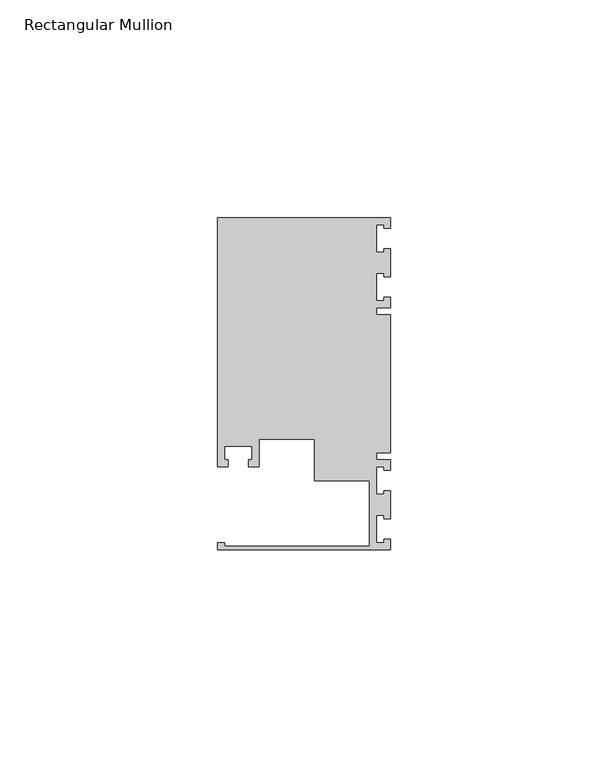
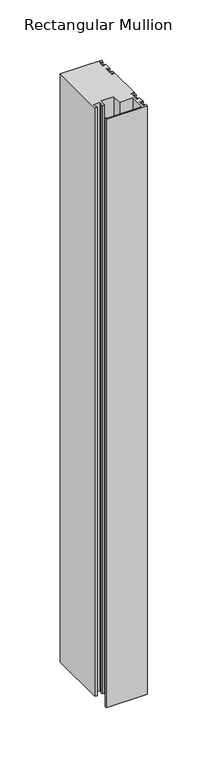
"""IFC4 building model written with IfcOpenShell, lengths in millimetres: member geometry, Rectangular Mullion."""

from ifc_helpers import new_model, si_unit, frame, origin, place, context, project, spatial, polyline, outline, extrude, source, transform, mapped, element, save


def rectangular_mullion_8926ba15(model_context):
    return source(origin(), model_context, "Body", "SweptSolid", [
        extrude(outline(polyline([(0.0, -38.1), (-39.6875, -38.1), (-39.6875, -36.5125), (-38.1, -36.5125), (-38.1, -37.30625), (-4.8585733, -37.30625), (-4.8585733, -22.225), (-17.4625, -22.225), (-17.4625, -12.6999969), (-30.1625, -12.6999969), (-30.1625, -19.05), (-32.54375, -19.05), (-32.54375, -17.4625), (-31.75, -17.4625), (-31.75, -14.2875), (-38.1, -14.2875), (-38.1, -17.4625), (-37.30625, -17.4625), (-37.30625, -19.05), (-39.6875, -19.05), (-39.6875, 38.1), (0.0, 38.1), (0.0, 35.71875), (-1.4999946, 35.71875), (-1.4999946, 36.5125), (-3.175, 36.5125), (-3.175, 30.1625), (-1.4999946, 30.1625), (-1.4999946, 30.95625), (0.0, 30.95625), (0.0, 24.60625), (-1.4999946, 24.60625), (-1.4999946, 25.4), (-3.175, 25.4), (-3.175, 19.05), (-1.4999946, 19.05), (-1.4999946, 19.84375), (0.0, 19.84375), (0.0, 17.4625), (-3.175, 17.4625), (-3.175, 15.875), (0.0, 15.875), (0.0, -15.875), (-3.175, -15.875), (-3.175, -17.4625), (0.0, -17.4625), (0.0, -19.84375), (-1.4999946, -19.84375), (-1.4999946, -19.05), (-3.175, -19.05), (-3.175, -25.4), (-1.4999946, -25.4), (-1.4999946, -24.60625), (0.0, -24.60625), (0.0, -30.95625), (-1.4999946, -30.95625), (-1.4999946, -30.1625), (-3.175, -30.1625), (-3.175, -36.5125), (-1.4999946, -36.5125), (-1.4999946, -35.71875), (0.0, -35.71875), (0.0, -38.1)])), frame((0.0, 0.0, -596.9), z_axis=(0.0, 0.0, 1.0), x_axis=(1.0, 0.0, 0.0)), (0.0, 0.0, 1.0), 596.9),
    ])


if __name__ == "__main__":
    model = new_model("IFC4")
    model_context = context("Model", 3, world=origin())
    ifc_project = project(units=[si_unit("LENGTHUNIT", "METRE", prefix="MILLI")], contexts=[model_context])
    site = spatial("IfcSite", under=ifc_project)
    building = spatial("IfcBuilding", under=site)
    placement = place(None, origin())
    rectangular_mullion_shape = rectangular_mullion_8926ba15(model_context)
    element("IfcMember", 1, ObjectType="Rectangular Mullion", at=placement, inside=building, context=model_context, shape_type="MappedRepresentation", body=[
        mapped(rectangular_mullion_shape, transform((0.0, 0.0, 0.0), x_axis=(1.0, 0.0, 0.0), y_axis=(0.0, 1.0, 0.0), z_axis=(0.0, 0.0, 1.0))),
    ])
    save(model, "model.ifc")
